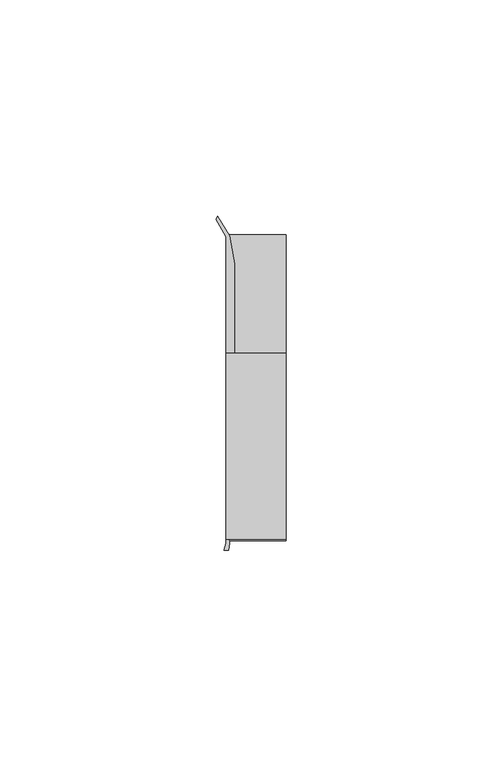
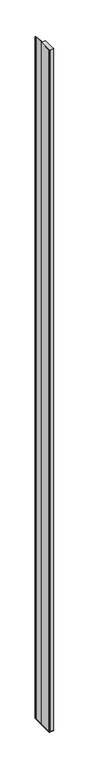
"""IFC4 building model written with IfcOpenShell, lengths in millimetres: furniture geometry."""

from ifc_helpers import new_model, si_unit, point, frame, frame_2d, origin, place, context, project, spatial, polyline, circle_curve, trimmed, segment, composite_curve, outline, extrude, source, transform, mapped, element, save


def furniture_dc28f979(model_context):
    return source(origin(), model_context, "Body", "SweptSolid", [
        extrude(outline(polyline([(31.9660873, 18.9594777), (31.9660873, -24.0995273), (18.0754623, -24.0995273), (18.0754623, 18.9594777), (31.9660873, 18.9594777)])), frame((0.0, 0.0, 513.2246824), z_axis=(0.0, 0.0, 1.0), x_axis=(1.0, 0.0, 0.0)), (0.0, 0.0, 1.0), 2253.8767176),
        extrude(outline(composite_curve([segment(polyline([(16.1635657, 50.6802202), (18.9314847, 46.0995711), (20.0632119, 39.6814262), (20.0632119, 18.9594777), (18.8191063, 18.9594777), (18.8191063, -23.2485144), (31.9660873, -23.2485144), (31.2224462, -24.0995273), (18.7989737, -24.0995273)]), True, "CONTINUOUS"), segment(trimmed(circle_curve(frame_2d((14.8541445, -25.0314921)), 4.0534227), [point((18.7989737, -24.0995273))], [point((18.9075389, -25.0466572))], False, "CARTESIAN"), True, "CONTINUOUS"), segment(trimmed(circle_curve(frame_2d((12.1306413, -24.765085)), 6.7827446), [point((18.9075389, -25.0466572))], [point((18.6374949, -26.6798903))], False, "CARTESIAN"), True, "CONTINUOUS"), segment(polyline([(18.6374949, -26.6798903), (17.6611556, -26.683687)]), True, "CONTINUOUS"), segment(trimmed(circle_curve(frame_2d((12.0703756, -24.4226588)), 6.0306773), [point((17.6611556, -26.683687))], [point((18.0754623, -24.9776388))], True, "CARTESIAN"), True, "CONTINUOUS"), segment(polyline([(18.0754623, -24.9776388), (18.0754623, 45.8886719), (15.7452137, 49.8958113), (16.1635657, 50.6802202)]), True, "CONTINUOUS")], self_intersect=False)), frame((0.0, 0.0, 513.2246824), z_axis=(0.0, 0.0, 1.0), x_axis=(1.0, 0.0, 0.0)), (0.0, 0.0, 1.0), 2253.8767176),
        extrude(outline(polyline([(18.0754623, -24.0995273), (18.0754623, 46.6824219), (31.9660873, 46.6824219), (31.9660873, -24.0995273), (18.0754623, -24.0995273)])), frame((0.0, 0.0, 510.6924), z_axis=(0.0, 0.0, 1.0), x_axis=(1.0, 0.0, 0.0)), (0.0, 0.0, 1.0), 2.5322824),
    ])


if __name__ == "__main__":
    model = new_model("IFC4")
    model_context = context("Model", 3, world=origin())
    ifc_project = project(units=[si_unit("LENGTHUNIT", "METRE", prefix="MILLI")], contexts=[model_context])
    site = spatial("IfcSite", under=ifc_project)
    building = spatial("IfcBuilding", under=site)
    placement = place(None, origin())
    furniture_shape = furniture_dc28f979(model_context)
    element("IfcFurniture", 1, at=placement, inside=building, context=model_context, shape_type="MappedRepresentation", body=[
        mapped(furniture_shape, transform((0.0, 0.0, 0.0), x_axis=(1.0, 0.0, 0.0), y_axis=(0.0, 1.0, 0.0), z_axis=(0.0, 0.0, 1.0))),
    ])
    save(model, "model.ifc")
